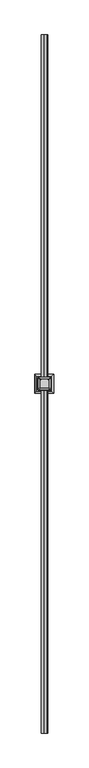
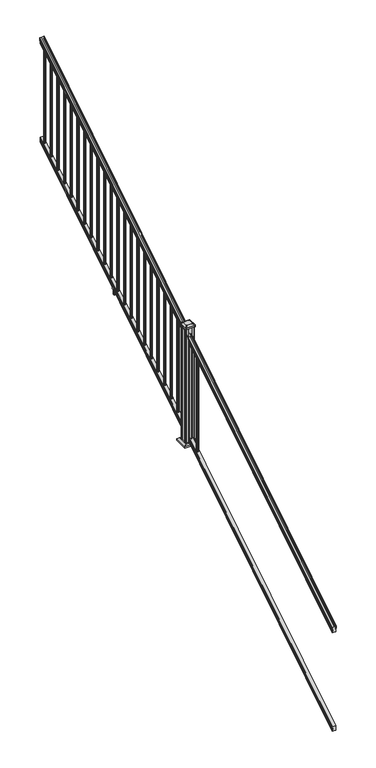
"""IFC4 building model written with IfcOpenShell, lengths in millimetres: railing geometry."""

from ifc_helpers import new_model, si_unit, point, frame, frame_2d, origin, place, context, project, spatial, polyline, circle_curve, ellipse_curve, trimmed, segment, composite_curve, outline, extrude, faceted_brep, source, transform, mapped, element, save
from ifc_brep_helpers import plane_surface, cylinder_surface, revolved_surface, extruded_surface, advanced_brep


def railing_84c4181d(model_context):
    return source(origin(), model_context, "Body", "SolidModel", [
        advanced_brep(
        [(10358.2270946, -16813.8194681, 1285.6070492), (10358.2270946, -16813.8194681, 1287.8335658), (10359.3572809, -16813.8194681, 1289.6758543), (10359.3572809, -16813.8194681, 1298.1876358), (10358.7080245, -16813.8194681, 1301.0572588), (10361.2080245, -16813.8194681, 1306.1635509), (10362.617367, -16813.8194681, 1308.1442021), (10363.019266, -16813.8194681, 1309.4469579), (10363.0192659, -16813.8194681, 1311.0274846), (10361.4658186, -16813.8194681, 1312.8593836), (10340.7942659, -16813.8194681, 1312.8593836), (10320.1227131, -16813.8194681, 1312.8593836), (10318.5692659, -16813.8194681, 1311.0274846), (10318.5692659, -16813.8194681, 1309.4469579), (10318.9711648, -16813.8194681, 1308.1442021), (10320.3805072, -16813.8194681, 1306.1635509), (10322.8805072, -16813.8194681, 1301.0572588), (10322.2312508, -16813.8194681, 1298.1876358), (10322.2312508, -16813.8194681, 1289.6758543), (10323.3614371, -16813.8194681, 1287.8335658), (10323.3614371, -16813.8194681, 1285.6070492), (10325.9352659, -16813.8194681, 1285.6070492), (10325.9352659, -16813.8194681, 1273.225537), (10324.9192659, -16813.8194681, 1272.0274214), (10324.9192659, -16813.8194681, 1257.3), (10356.6692659, -16813.8194681, 1257.3), (10356.6692659, -16813.8194681, 1271.841318), (10355.6532659, -16813.8194681, 1273.0394336), (10355.6532659, -16813.8194681, 1285.6070492), (10358.2270946, -11937.0194681, 4333.6070492), (10355.6532659, -11937.0194681, 4333.6070492), (10355.6532659, -11937.0194681, 4321.0394336), (10356.6692659, -11937.0194681, 4319.841318), (10356.6692659, -11937.0194681, 4305.3), (10324.9192659, -11937.0194681, 4305.3), (10324.9192659, -11937.0194681, 4320.0274214), (10325.9352659, -11937.0194681, 4321.225537), (10325.9352659, -11937.0194681, 4333.6070492), (10323.3614371, -11937.0194681, 4333.6070492), (10323.3614371, -11937.0194681, 4335.8335658), (10322.2312508, -11937.0194681, 4337.6758543), (10322.2312508, -11937.0194681, 4346.1876358), (10322.8805072, -11937.0194681, 4349.0572588), (10320.3805072, -11937.0194681, 4354.1635509), (10318.9711648, -11937.0194681, 4356.1442021), (10318.5692658, -11937.0194681, 4357.4469579), (10318.5692659, -11937.0194681, 4359.0274846), (10320.1227131, -11937.0194681, 4360.8593836), (10340.7942659, -11937.0194681, 4360.8593836), (10361.4658186, -11937.0194681, 4360.8593836), (10363.0192659, -11937.0194681, 4359.0274846), (10363.0192659, -11937.0194681, 4357.4469579), (10362.617367, -11937.0194681, 4356.1442021), (10361.2080245, -11937.0194681, 4354.1635509), (10358.7080245, -11937.0194681, 4349.0572588), (10359.3572809, -11937.0194681, 4346.1876358), (10359.3572809, -11937.0194681, 4337.6758543), (10358.2270946, -11937.0194681, 4335.8335658)],
        [
            (0, 1),
            (1, 2, ellipse_curve(frame((10351.9123413, -16813.8194681, 1294.6239405), z_axis=(0.0, -1.0, 0.0), x_axis=(0.0, 0.0, -1.0)), 10.0777926, 8.545951)),
            (2, 3, ellipse_curve(frame((10352.3494043, -16813.8194681, 1293.9317451), z_axis=(0.0, -1.0, 0.0), x_axis=(0.0, 0.0, -1.0)), 9.2955186, 7.882584)),
            (3, 4, ellipse_curve(frame((10362.8627284, -16813.8194681, 1300.8275077), z_axis=(0.0, 1.0, 0.0), x_axis=(0.0, 0.0, 1.0)), 4.9048088, 4.1592695)),
            (4, 5, ellipse_curve(frame((10364.150035, -16813.8194681, 1300.7563208), z_axis=(0.0, 1.0, 0.0), x_axis=(0.0, 0.0, 1.0)), 6.4245301, 5.4479907)),
            (5, 6, ellipse_curve(frame((10362.9168765, -16813.8194681, 1306.1602333), z_axis=(0.0, 1.0, 0.0), x_axis=(0.0, 0.0, 1.0)), 2.0151625, 1.7088543)),
            (6, 7, ellipse_curve(frame((10361.2999764, -16813.8194681, 1309.4469579), z_axis=(0.0, -1.0, 0.0), x_axis=(0.0, 0.0, -1.0)), 2.0274681, 1.7192895)),
            (7, 8),
            (8, 9, ellipse_curve(frame((10361.4658186, -16813.8194681, 1311.0274846), z_axis=(0.0, -1.0, 0.0), x_axis=(0.0, 0.0, -1.0)), 1.831899, 1.5534472)),
            (9, 10),
            (10, 11),
            (11, 12, ellipse_curve(frame((10320.1227131, -16813.8194681, 1311.0274846), z_axis=(0.0, -1.0, 0.0), x_axis=(0.0, 0.0, -1.0)), 1.831899, 1.5534472)),
            (12, 13),
            (13, 14, ellipse_curve(frame((10320.2885553, -16813.8194681, 1309.4469579), z_axis=(0.0, -1.0, 0.0), x_axis=(0.0, 0.0, -1.0)), 2.0274681, 1.7192895)),
            (14, 15, ellipse_curve(frame((10318.6716552, -16813.8194681, 1306.1602333), z_axis=(0.0, 1.0, 0.0), x_axis=(0.0, 0.0, 1.0)), 2.0151625, 1.7088543)),
            (15, 16, ellipse_curve(frame((10317.4384968, -16813.8194681, 1300.7563208), z_axis=(0.0, 1.0, 0.0), x_axis=(0.0, 0.0, 1.0)), 6.4245301, 5.4479907)),
            (16, 17, ellipse_curve(frame((10318.7258033, -16813.8194681, 1300.8275077), z_axis=(0.0, 1.0, 0.0), x_axis=(0.0, 0.0, 1.0)), 4.9048088, 4.1592695)),
            (17, 18, ellipse_curve(frame((10329.2391275, -16813.8194681, 1293.9317451), z_axis=(0.0, -1.0, 0.0), x_axis=(0.0, 0.0, -1.0)), 9.2955186, 7.882584)),
            (18, 19, ellipse_curve(frame((10329.6761904, -16813.8194681, 1294.6239405), z_axis=(0.0, -1.0, 0.0), x_axis=(0.0, 0.0, -1.0)), 10.0777926, 8.545951)),
            (19, 20),
            (20, 21, ellipse_curve(frame((10324.6483515, -16813.8194681, 1285.6070492), z_axis=(0.0, -1.0, 0.0), x_axis=(0.0, 0.0, -1.0)), 1.5175907, 1.2869144)),
            (21, 22),
            (22, 23),
            (23, 24),
            (24, 25),
            (25, 26),
            (26, 27),
            (27, 28),
            (28, 0, ellipse_curve(frame((10356.9401802, -16813.8194681, 1285.6070492), z_axis=(0.0, -1.0, 0.0), x_axis=(0.0, 0.0, -1.0)), 1.5175907, 1.2869144)),
            (29, 30, ellipse_curve(frame((10356.9401802, -11937.0194681, 4333.6070492), z_axis=(0.0, 1.0, 0.0), x_axis=(0.0, 0.0, -1.0)), 1.5175907, 1.2869144)),
            (30, 31),
            (31, 32),
            (32, 33),
            (33, 34),
            (34, 35),
            (35, 36),
            (36, 37),
            (37, 38, ellipse_curve(frame((10324.6483515, -11937.0194681, 4333.6070492), z_axis=(0.0, 1.0, 0.0), x_axis=(0.0, 0.0, -1.0)), 1.5175907, 1.2869144)),
            (38, 39),
            (39, 40, ellipse_curve(frame((10329.6761904, -11937.0194681, 4342.6239405), z_axis=(0.0, 1.0, 0.0), x_axis=(0.0, 0.0, -1.0)), 10.0777926, 8.545951)),
            (40, 41, ellipse_curve(frame((10329.2391275, -11937.0194681, 4341.9317451), z_axis=(0.0, 1.0, 0.0), x_axis=(0.0, 0.0, -1.0)), 9.2955186, 7.882584)),
            (41, 42, ellipse_curve(frame((10318.7258033, -11937.0194681, 4348.8275077), z_axis=(0.0, -1.0, 0.0), x_axis=(0.0, 0.0, 1.0)), 4.9048088, 4.1592695)),
            (42, 43, ellipse_curve(frame((10317.4384968, -11937.0194681, 4348.7563208), z_axis=(0.0, -1.0, 0.0), x_axis=(0.0, 0.0, 1.0)), 6.4245301, 5.4479907)),
            (43, 44, ellipse_curve(frame((10318.6716552, -11937.0194681, 4354.1602333), z_axis=(0.0, -1.0, 0.0), x_axis=(0.0, 0.0, 1.0)), 2.0151625, 1.7088543)),
            (44, 45, ellipse_curve(frame((10320.2885553, -11937.0194681, 4357.4469579), z_axis=(0.0, 1.0, 0.0), x_axis=(0.0, 0.0, -1.0)), 2.0274681, 1.7192895)),
            (45, 46),
            (46, 47, ellipse_curve(frame((10320.1227131, -11937.0194681, 4359.0274846), z_axis=(0.0, 1.0, 0.0), x_axis=(0.0, 0.0, -1.0)), 1.831899, 1.5534472)),
            (47, 48),
            (48, 49),
            (49, 50, ellipse_curve(frame((10361.4658186, -11937.0194681, 4359.0274846), z_axis=(0.0, 1.0, 0.0), x_axis=(0.0, 0.0, -1.0)), 1.831899, 1.5534472)),
            (50, 51),
            (51, 52, ellipse_curve(frame((10361.2999764, -11937.0194681, 4357.4469579), z_axis=(0.0, 1.0, 0.0), x_axis=(0.0, 0.0, -1.0)), 2.0274681, 1.7192895)),
            (52, 53, ellipse_curve(frame((10362.9168765, -11937.0194681, 4354.1602333), z_axis=(0.0, -1.0, 0.0), x_axis=(0.0, 0.0, 1.0)), 2.0151625, 1.7088543)),
            (53, 54, ellipse_curve(frame((10364.150035, -11937.0194681, 4348.7563208), z_axis=(0.0, -1.0, 0.0), x_axis=(0.0, 0.0, 1.0)), 6.4245301, 5.4479907)),
            (54, 55, ellipse_curve(frame((10362.8627284, -11937.0194681, 4348.8275077), z_axis=(0.0, -1.0, 0.0), x_axis=(0.0, 0.0, 1.0)), 4.9048088, 4.1592695)),
            (55, 56, ellipse_curve(frame((10352.3494043, -11937.0194681, 4341.9317451), z_axis=(0.0, 1.0, 0.0), x_axis=(0.0, 0.0, -1.0)), 9.2955186, 7.882584)),
            (56, 57, ellipse_curve(frame((10351.9123413, -11937.0194681, 4342.6239405), z_axis=(0.0, 1.0, 0.0), x_axis=(0.0, 0.0, -1.0)), 10.0777926, 8.545951)),
            (57, 29),
            (0, 29),
            (57, 1),
            (56, 2),
            (55, 3),
            (54, 4),
            (53, 5),
            (52, 6),
            (51, 7),
            (50, 8),
            (49, 9),
            (48, 10),
            (47, 11),
            (46, 12),
            (45, 13),
            (44, 14),
            (43, 15),
            (42, 16),
            (41, 17),
            (40, 18),
            (39, 19),
            (38, 20),
            (37, 21),
            (36, 22),
            (35, 23),
            (34, 24),
            (33, 25),
            (32, 26),
            (31, 27),
            (30, 28),
        ],
        [
            plane_surface(frame((10340.7942659, -16813.8194681, 1257.3), z_axis=(0.0, -1.0, 0.0), x_axis=(0.0, 0.0, 1.0))),
            plane_surface(frame((10340.7942659, -11937.0194681, 4305.3), z_axis=(0.0, 1.0, 0.0), x_axis=(0.0, 0.0, 1.0))),
            plane_surface(frame((10358.2270946, -16813.8194681, 1285.6070492), z_axis=(1.0000000000000002, 0.0, 0.0), x_axis=(0.0, 0.8479983040051253, 0.5299989400031204))),
            cylinder_surface(frame((10351.9123413, -16830.5942728, 1284.1396876), z_axis=(0.0, -0.8479983040051253, -0.5299989400031204), x_axis=(-1.0, 0.0, 0.0)), 8.545951),
            cylinder_surface(frame((10352.3494043, -16830.2831737, 1283.641929), z_axis=(0.0, -0.8479983040051253, -0.5299989400031204), x_axis=(-1.0, 0.0, 0.0)), 7.882584),
            revolved_surface(polyline([(10358.7034589, -11934.815059650346, 4350.205262980555), (10358.7034589, -16816.023876549436, 1299.4497524191004)]), (10362.8627284, -16833.3823929, 1288.6006797), (0.0, 0.8479983040051253, 0.5299989400031204)),
            revolved_surface(polyline([(10358.7020443, -11934.132038835738, 4350.5609640771845), (10358.7020443, -16816.706897352808, 1298.9516775044945)]), (10364.150035, -16833.3503988, 1288.5494891), (0.0, 0.8479983040051253, 0.5299989400031204)),
            revolved_surface(polyline([(10361.208022199999, -11936.113777099785, 4354.726290199656), (10361.208022199999, -16814.72515912247, 1305.5941764359545)]), (10362.9168765, -16835.7791235, 1292.4354487), (0.0, 0.8479983040051253, 0.5299989400031204)),
            cylinder_surface(frame((10361.2999764, -16837.2563031, 1294.798936), z_axis=(0.0, -0.8479983040051253, -0.5299989400031204), x_axis=(-1.0, 0.0, 0.0)), 1.7192895),
            plane_surface(frame((10363.0192659, -16813.8194681, 1309.4469579), z_axis=(1.0000000000000002, 0.0, 0.0), x_axis=(0.0, 0.8479983040051253, 0.5299989400031204))),
            cylinder_surface(frame((10361.4658186, -16837.9666522, 1295.9354945), z_axis=(0.0, -0.8479983040051253, -0.5299989400031204), x_axis=(-1.0, 0.0, 0.0)), 1.5534472),
            plane_surface(frame((10361.4658186, -16813.8194681, 1312.8593836), z_axis=(0.0, -0.5299989400031204, 0.8479983040051252), x_axis=(0.0, 0.8479983040051252, 0.5299989400031204))),
            plane_surface(frame((10340.7942659, -16813.8194681, 1312.8593836), z_axis=(0.0, -0.5299989400031204, 0.8479983040051252), x_axis=(0.0, 0.8479983040051252, 0.5299989400031204))),
            cylinder_surface(frame((10320.1227131, -16837.9666522, 1295.9354945), z_axis=(0.0, -0.8479983040051253, -0.5299989400031204), x_axis=(1.0, 0.0, 0.0)), 1.5534472),
            plane_surface(frame((10318.5692659, -16813.8194681, 1311.0274846), z_axis=(-1.0, 0.0, 0.0), x_axis=(0.0, 0.8479983040051252, 0.5299989400031204))),
            cylinder_surface(frame((10320.2885553, -16837.2563031, 1294.798936), z_axis=(0.0, -0.8479983040051253, -0.5299989400031204), x_axis=(1.0, 0.0, 0.0)), 1.7192895),
            revolved_surface(polyline([(10320.3805095, -11936.113777099785, 4354.726290199656), (10320.3805095, -16814.72515912247, 1305.5941764359545)]), (10318.6716552, -16835.7791235, 1292.4354487), (0.0, 0.8479983040051253, 0.5299989400031204)),
            revolved_surface(polyline([(10322.8864875, -11934.132038835738, 4350.5609640771845), (10322.8864875, -16816.706897352808, 1298.9516775044945)]), (10317.4384968, -16833.3503988, 1288.5494891), (0.0, 0.8479983040051253, 0.5299989400031204)),
            revolved_surface(polyline([(10322.8850728, -11934.815059650346, 4350.205262980555), (10322.8850728, -16816.023876549436, 1299.4497524191004)]), (10318.7258033, -16833.3823929, 1288.6006797), (0.0, 0.8479983040051253, 0.5299989400031204)),
            cylinder_surface(frame((10329.2391275, -16830.2831737, 1283.641929), z_axis=(0.0, -0.8479983040051253, -0.5299989400031204), x_axis=(1.0, 0.0, 0.0)), 7.882584),
            cylinder_surface(frame((10329.6761904, -16830.5942728, 1284.1396876), z_axis=(0.0, -0.8479983040051253, -0.5299989400031204), x_axis=(1.0, 0.0, 0.0)), 8.545951),
            plane_surface(frame((10323.3614371, -16813.8194681, 1287.8335658), z_axis=(-1.0, 0.0, 0.0), x_axis=(0.0, 0.8479983040051252, 0.5299989400031204))),
            cylinder_surface(frame((10324.6483515, -16826.5417374, 1277.6556309), z_axis=(0.0, -0.8479983040051253, -0.5299989400031204), x_axis=(1.0, 0.0, 0.0)), 1.2869144),
            plane_surface(frame((10325.9352659, -16813.8194681, 1285.6070492), z_axis=(-1.0000000000000002, 0.0, 0.0), x_axis=(0.0, 0.8479983040051253, 0.5299989400031204))),
            plane_surface(frame((10325.9352659, -16813.8194681, 1273.225537), z_axis=(-0.7071067811865438, -0.3747658444978897, 0.5996253511967192), x_axis=(0.0, 0.8479983040051252, 0.5299989400031204))),
            plane_surface(frame((10324.9192659, -16813.8194681, 1272.0274214), z_axis=(-1.0000000000000002, 0.0, 0.0), x_axis=(0.0, 0.8479983040051253, 0.5299989400031204))),
            plane_surface(frame((10324.9192659, -16813.8194681, 1257.3), z_axis=(0.0, 0.5299989400031204, -0.8479983040051252), x_axis=(0.0, 0.8479983040051252, 0.5299989400031204))),
            plane_surface(frame((10356.6692659, -16813.8194681, 1257.3), z_axis=(1.0, 0.0, 0.0), x_axis=(0.0, 0.8479983040051252, 0.5299989400031204))),
            plane_surface(frame((10356.6692659, -16813.8194681, 1271.841318), z_axis=(0.7071067811865389, -0.3747658444978942, 0.5996253511967224), x_axis=(0.0, 0.8479983040051252, 0.5299989400031204))),
            plane_surface(frame((10355.6532659, -16813.8194681, 1273.0394336), z_axis=(1.0, 0.0, 0.0), x_axis=(0.0, 0.8479983040051253, 0.5299989400031203))),
            cylinder_surface(frame((10356.9401802, -16826.5417374, 1277.6556309), z_axis=(0.0, -0.8479983040051253, -0.5299989400031204), x_axis=(-1.0, 0.0, 0.0)), 1.2869144),
        ],
        [
            (0, [[1, 2, 3, 4, 5, 6, 7, 8, 9, 10, 11, 12, 13, 14, 15, 16, 17, 18, 19, 20, 21, 22, 23, 24, 25, 26, 27, 28, 29]]),
            (1, [[30, 31, 32, 33, 34, 35, 36, 37, 38, 39, 40, 41, 42, 43, 44, 45, 46, 47, 48, 49, 50, 51, 52, 53, 54, 55, 56, 57, 58]]),
            (2, [[-1, 59, -58, 60]]),
            (3, [[-2, -60, -57, 61]]),
            (4, [[-3, -61, -56, 62]]),
            (5, [[-4, -62, -55, 63]]),
            (6, [[-5, -63, -54, 64]]),
            (7, [[-6, -64, -53, 65]]),
            (8, [[-7, -65, -52, 66]]),
            (9, [[-8, -66, -51, 67]]),
            (10, [[-9, -67, -50, 68]]),
            (11, [[-10, -68, -49, 69]]),
            (12, [[-11, -69, -48, 70]]),
            (13, [[-12, -70, -47, 71]]),
            (14, [[-13, -71, -46, 72]]),
            (15, [[-14, -72, -45, 73]]),
            (16, [[-15, -73, -44, 74]]),
            (17, [[-16, -74, -43, 75]]),
            (18, [[-17, -75, -42, 76]]),
            (19, [[-18, -76, -41, 77]]),
            (20, [[-19, -77, -40, 78]]),
            (21, [[-20, -78, -39, 79]]),
            (22, [[-21, -79, -38, 80]]),
            (23, [[-22, -80, -37, 81]]),
            (24, [[-23, -81, -36, 82]]),
            (25, [[-24, -82, -35, 83]]),
            (26, [[-25, -83, -34, 84]]),
            (27, [[-26, -84, -33, 85]]),
            (28, [[-27, -85, -32, 86]]),
            (29, [[-28, -86, -31, 87]]),
            (30, [[-29, -87, -30, -59]]),
        ],
    ),
        faceted_brep([(10356.7067528, -16813.8194681, 268.8045079), (10355.6907528, -16813.8194681, 270.338026), (10355.6907528, -16813.8194681, 282.5545048), (10356.7067528, -16813.8194681, 284.1444579), (10356.7067528, -16813.8194681, 298.9244744), (10324.9567528, -16813.8194681, 298.9244744), (10324.9567528, -16813.8194681, 284.1248272), (10325.9727528, -16813.8194681, 282.5348741), (10325.9727528, -16813.8194681, 270.3748303), (10324.9567528, -16813.8194681, 268.7848772), (10324.9567528, -16813.8194681, 254.0), (10356.7067528, -16813.8194681, 254.0), (10356.7067528, -11937.0194681, 3316.8045079), (10356.7067528, -11937.0194681, 3302.0), (10324.9567528, -11937.0194681, 3302.0), (10324.9567528, -11937.0194681, 3316.7848772), (10325.9727528, -11937.0194681, 3318.3748303), (10325.9727528, -11937.0194681, 3330.5348741), (10324.9567528, -11937.0194681, 3332.1248272), (10324.9567528, -11937.0194681, 3346.9244744), (10356.7067528, -11937.0194681, 3346.9244744), (10356.7067528, -11937.0194681, 3332.1444579), (10355.6907528, -11937.0194681, 3330.5545048), (10355.6907528, -11937.0194681, 3318.338026)], [[[0, 1, 2, 3, 4, 5, 6, 7, 8, 9, 10, 11]], [[12, 13, 14, 15, 16, 17, 18, 19, 20, 21, 22, 23]], [[1, 0, 12, 23]], [[2, 1, 23, 22]], [[3, 2, 22, 21]], [[4, 3, 21, 20]], [[5, 4, 20, 19]], [[6, 5, 19, 18]], [[7, 6, 18, 17]], [[8, 7, 17, 16]], [[9, 8, 16, 15]], [[10, 9, 15, 14]], [[11, 10, 14, 13]], [[0, 11, 13, 12]]]),
        extrude(outline(composite_curve([segment(trimmed(circle_curve(frame_2d((10340.7942659, -11984.2634681)), 9.525), [point((10350.3192659, -11984.2634681))], [point((10340.7942659, -11993.7884681))], False, "CARTESIAN"), True, "CONTINUOUS"), segment(trimmed(circle_curve(frame_2d((10340.7942659, -11984.2634681)), 9.525), [point((10340.7942659, -11993.7884681))], [point((10331.2692659, -11984.2634681))], False, "CARTESIAN"), True, "CONTINUOUS"), segment(trimmed(circle_curve(frame_2d((10340.7942659, -11984.2634681)), 9.525), [point((10331.2692659, -11984.2634681))], [point((10340.7942659, -11974.7384681))], False, "CARTESIAN"), True, "CONTINUOUS"), segment(trimmed(circle_curve(frame_2d((10340.7942659, -11984.2634681)), 9.525), [point((10340.7942659, -11974.7384681))], [point((10350.3192659, -11984.2634681))], False, "CARTESIAN"), True, "CONTINUOUS")], self_intersect=False)), frame((0.0, 0.0, 3310.5683781), z_axis=(0.0, 0.0, 1.0), x_axis=(1.0, 0.0, 0.0)), (0.0, 0.0, 1.0), 965.2041219),
        extrude(outline(composite_curve([segment(trimmed(circle_curve(frame_2d((10340.7942659, -12095.5154681)), 9.525), [point((10350.3192659, -12095.5154681))], [point((10340.7942659, -12105.0404681))], False, "CARTESIAN"), True, "CONTINUOUS"), segment(trimmed(circle_curve(frame_2d((10340.7942659, -12095.5154681)), 9.525), [point((10340.7942659, -12105.0404681))], [point((10331.2692659, -12095.5154681))], False, "CARTESIAN"), True, "CONTINUOUS"), segment(trimmed(circle_curve(frame_2d((10340.7942659, -12095.5154681)), 9.525), [point((10331.2692659, -12095.5154681))], [point((10340.7942659, -12085.9904681))], False, "CARTESIAN"), True, "CONTINUOUS"), segment(trimmed(circle_curve(frame_2d((10340.7942659, -12095.5154681)), 9.525), [point((10340.7942659, -12085.9904681))], [point((10350.3192659, -12095.5154681))], False, "CARTESIAN"), True, "CONTINUOUS")], self_intersect=False)), frame((0.0, 0.0, 3241.0358781), z_axis=(0.0, 0.0, 1.0), x_axis=(1.0, 0.0, 0.0)), (0.0, 0.0, 1.0), 965.2041219),
        extrude(outline(composite_curve([segment(trimmed(circle_curve(frame_2d((10340.7942659, -12206.7674681)), 9.525), [point((10350.3192659, -12206.7674681))], [point((10340.7942659, -12216.2924681))], False, "CARTESIAN"), True, "CONTINUOUS"), segment(trimmed(circle_curve(frame_2d((10340.7942659, -12206.7674681)), 9.525), [point((10340.7942659, -12216.2924681))], [point((10331.2692659, -12206.7674681))], False, "CARTESIAN"), True, "CONTINUOUS"), segment(trimmed(circle_curve(frame_2d((10340.7942659, -12206.7674681)), 9.525), [point((10331.2692659, -12206.7674681))], [point((10340.7942659, -12197.2424681))], False, "CARTESIAN"), True, "CONTINUOUS"), segment(trimmed(circle_curve(frame_2d((10340.7942659, -12206.7674681)), 9.525), [point((10340.7942659, -12197.2424681))], [point((10350.3192659, -12206.7674681))], False, "CARTESIAN"), True, "CONTINUOUS")], self_intersect=False)), frame((0.0, 0.0, 3171.5033781), z_axis=(0.0, 0.0, 1.0), x_axis=(1.0, 0.0, 0.0)), (0.0, 0.0, 1.0), 965.2041219),
        extrude(outline(composite_curve([segment(trimmed(circle_curve(frame_2d((10340.7942659, -12318.0194681)), 9.525), [point((10350.3192659, -12318.0194681))], [point((10340.7942659, -12327.5444681))], False, "CARTESIAN"), True, "CONTINUOUS"), segment(trimmed(circle_curve(frame_2d((10340.7942659, -12318.0194681)), 9.525), [point((10340.7942659, -12327.5444681))], [point((10331.2692659, -12318.0194681))], False, "CARTESIAN"), True, "CONTINUOUS"), segment(trimmed(circle_curve(frame_2d((10340.7942659, -12318.0194681)), 9.525), [point((10331.2692659, -12318.0194681))], [point((10340.7942659, -12308.4944681))], False, "CARTESIAN"), True, "CONTINUOUS"), segment(trimmed(circle_curve(frame_2d((10340.7942659, -12318.0194681)), 9.525), [point((10340.7942659, -12308.4944681))], [point((10350.3192659, -12318.0194681))], False, "CARTESIAN"), True, "CONTINUOUS")], self_intersect=False)), frame((0.0, 0.0, 3101.9708781), z_axis=(0.0, 0.0, 1.0), x_axis=(1.0, 0.0, 0.0)), (0.0, 0.0, 1.0), 965.2041219),
        extrude(outline(composite_curve([segment(trimmed(circle_curve(frame_2d((10340.7942659, -12429.2714681)), 9.525), [point((10350.3192659, -12429.2714681))], [point((10340.7942659, -12438.7964681))], False, "CARTESIAN"), True, "CONTINUOUS"), segment(trimmed(circle_curve(frame_2d((10340.7942659, -12429.2714681)), 9.525), [point((10340.7942659, -12438.7964681))], [point((10331.2692659, -12429.2714681))], False, "CARTESIAN"), True, "CONTINUOUS"), segment(trimmed(circle_curve(frame_2d((10340.7942659, -12429.2714681)), 9.525), [point((10331.2692659, -12429.2714681))], [point((10340.7942659, -12419.7464681))], False, "CARTESIAN"), True, "CONTINUOUS"), segment(trimmed(circle_curve(frame_2d((10340.7942659, -12429.2714681)), 9.525), [point((10340.7942659, -12419.7464681))], [point((10350.3192659, -12429.2714681))], False, "CARTESIAN"), True, "CONTINUOUS")], self_intersect=False)), frame((0.0, 0.0, 3032.4383781), z_axis=(0.0, 0.0, 1.0), x_axis=(1.0, 0.0, 0.0)), (0.0, 0.0, 1.0), 965.2041219),
        extrude(outline(composite_curve([segment(trimmed(circle_curve(frame_2d((10340.7942659, -12540.5234681)), 9.525), [point((10350.3192659, -12540.5234681))], [point((10340.7942659, -12550.0484681))], False, "CARTESIAN"), True, "CONTINUOUS"), segment(trimmed(circle_curve(frame_2d((10340.7942659, -12540.5234681)), 9.525), [point((10340.7942659, -12550.0484681))], [point((10331.2692659, -12540.5234681))], False, "CARTESIAN"), True, "CONTINUOUS"), segment(trimmed(circle_curve(frame_2d((10340.7942659, -12540.5234681)), 9.525), [point((10331.2692659, -12540.5234681))], [point((10340.7942659, -12530.9984681))], False, "CARTESIAN"), True, "CONTINUOUS"), segment(trimmed(circle_curve(frame_2d((10340.7942659, -12540.5234681)), 9.525), [point((10340.7942659, -12530.9984681))], [point((10350.3192659, -12540.5234681))], False, "CARTESIAN"), True, "CONTINUOUS")], self_intersect=False)), frame((0.0, 0.0, 2962.9058781), z_axis=(0.0, 0.0, 1.0), x_axis=(1.0, 0.0, 0.0)), (0.0, 0.0, 1.0), 965.2041219),
        extrude(outline(composite_curve([segment(trimmed(circle_curve(frame_2d((10340.7942659, -12651.7754681)), 9.525), [point((10350.3192659, -12651.7754681))], [point((10340.7942659, -12661.3004681))], False, "CARTESIAN"), True, "CONTINUOUS"), segment(trimmed(circle_curve(frame_2d((10340.7942659, -12651.7754681)), 9.525), [point((10340.7942659, -12661.3004681))], [point((10331.2692659, -12651.7754681))], False, "CARTESIAN"), True, "CONTINUOUS"), segment(trimmed(circle_curve(frame_2d((10340.7942659, -12651.7754681)), 9.525), [point((10331.2692659, -12651.7754681))], [point((10340.7942659, -12642.2504681))], False, "CARTESIAN"), True, "CONTINUOUS"), segment(trimmed(circle_curve(frame_2d((10340.7942659, -12651.7754681)), 9.525), [point((10340.7942659, -12642.2504681))], [point((10350.3192659, -12651.7754681))], False, "CARTESIAN"), True, "CONTINUOUS")], self_intersect=False)), frame((0.0, 0.0, 2893.3733781), z_axis=(0.0, 0.0, 1.0), x_axis=(1.0, 0.0, 0.0)), (0.0, 0.0, 1.0), 965.2041219),
        extrude(outline(composite_curve([segment(trimmed(circle_curve(frame_2d((10340.7942659, -12763.0274681)), 9.525), [point((10350.3192659, -12763.0274681))], [point((10340.7942659, -12772.5524681))], False, "CARTESIAN"), True, "CONTINUOUS"), segment(trimmed(circle_curve(frame_2d((10340.7942659, -12763.0274681)), 9.525), [point((10340.7942659, -12772.5524681))], [point((10331.2692659, -12763.0274681))], False, "CARTESIAN"), True, "CONTINUOUS"), segment(trimmed(circle_curve(frame_2d((10340.7942659, -12763.0274681)), 9.525), [point((10331.2692659, -12763.0274681))], [point((10340.7942659, -12753.5024681))], False, "CARTESIAN"), True, "CONTINUOUS"), segment(trimmed(circle_curve(frame_2d((10340.7942659, -12763.0274681)), 9.525), [point((10340.7942659, -12753.5024681))], [point((10350.3192659, -12763.0274681))], False, "CARTESIAN"), True, "CONTINUOUS")], self_intersect=False)), frame((0.0, 0.0, 2823.8408781), z_axis=(0.0, 0.0, 1.0), x_axis=(1.0, 0.0, 0.0)), (0.0, 0.0, 1.0), 965.2041219),
        extrude(outline(composite_curve([segment(trimmed(circle_curve(frame_2d((10340.7942659, -12874.2794681)), 9.525), [point((10350.3192659, -12874.2794681))], [point((10340.7942659, -12883.8044681))], False, "CARTESIAN"), True, "CONTINUOUS"), segment(trimmed(circle_curve(frame_2d((10340.7942659, -12874.2794681)), 9.525), [point((10340.7942659, -12883.8044681))], [point((10331.2692659, -12874.2794681))], False, "CARTESIAN"), True, "CONTINUOUS"), segment(trimmed(circle_curve(frame_2d((10340.7942659, -12874.2794681)), 9.525), [point((10331.2692659, -12874.2794681))], [point((10340.7942659, -12864.7544681))], False, "CARTESIAN"), True, "CONTINUOUS"), segment(trimmed(circle_curve(frame_2d((10340.7942659, -12874.2794681)), 9.525), [point((10340.7942659, -12864.7544681))], [point((10350.3192659, -12874.2794681))], False, "CARTESIAN"), True, "CONTINUOUS")], self_intersect=False)), frame((0.0, 0.0, 2754.3083781), z_axis=(0.0, 0.0, 1.0), x_axis=(1.0, 0.0, 0.0)), (0.0, 0.0, 1.0), 965.2041219),
        extrude(outline(composite_curve([segment(trimmed(circle_curve(frame_2d((10340.7942659, -12985.5314681)), 9.525), [point((10350.3192659, -12985.5314681))], [point((10340.7942659, -12995.0564681))], False, "CARTESIAN"), True, "CONTINUOUS"), segment(trimmed(circle_curve(frame_2d((10340.7942659, -12985.5314681)), 9.525), [point((10340.7942659, -12995.0564681))], [point((10331.2692659, -12985.5314681))], False, "CARTESIAN"), True, "CONTINUOUS"), segment(trimmed(circle_curve(frame_2d((10340.7942659, -12985.5314681)), 9.525), [point((10331.2692659, -12985.5314681))], [point((10340.7942659, -12976.0064681))], False, "CARTESIAN"), True, "CONTINUOUS"), segment(trimmed(circle_curve(frame_2d((10340.7942659, -12985.5314681)), 9.525), [point((10340.7942659, -12976.0064681))], [point((10350.3192659, -12985.5314681))], False, "CARTESIAN"), True, "CONTINUOUS")], self_intersect=False)), frame((0.0, 0.0, 2684.7758781), z_axis=(0.0, 0.0, 1.0), x_axis=(1.0, 0.0, 0.0)), (0.0, 0.0, 1.0), 965.2041219),
        extrude(outline(composite_curve([segment(trimmed(circle_curve(frame_2d((10340.7942659, -13096.7834681)), 9.525), [point((10350.3192659, -13096.7834681))], [point((10340.7942659, -13106.3084681))], False, "CARTESIAN"), True, "CONTINUOUS"), segment(trimmed(circle_curve(frame_2d((10340.7942659, -13096.7834681)), 9.525), [point((10340.7942659, -13106.3084681))], [point((10331.2692659, -13096.7834681))], False, "CARTESIAN"), True, "CONTINUOUS"), segment(trimmed(circle_curve(frame_2d((10340.7942659, -13096.7834681)), 9.525), [point((10331.2692659, -13096.7834681))], [point((10340.7942659, -13087.2584681))], False, "CARTESIAN"), True, "CONTINUOUS"), segment(trimmed(circle_curve(frame_2d((10340.7942659, -13096.7834681)), 9.525), [point((10340.7942659, -13087.2584681))], [point((10350.3192659, -13096.7834681))], False, "CARTESIAN"), True, "CONTINUOUS")], self_intersect=False)), frame((0.0, 0.0, 2615.2433781), z_axis=(0.0, 0.0, 1.0), x_axis=(1.0, 0.0, 0.0)), (0.0, 0.0, 1.0), 965.2041219),
        extrude(outline(polyline([(2565.2203979, 10322.6332671), (2564.4583969, 10321.871266), (2537.9680023, 10321.871266), (2537.2060013, 10322.6332671), (2537.2060013, 10332.6662661), (2536.4440012, 10333.4282662), (2477.2620001, 10333.4282662), (2476.5, 10334.1902663), (2476.5, 10347.3982655), (2477.262001, 10348.1602665), (2536.4440012, 10348.1602665), (2537.2060013, 10348.9222666), (2537.2060013, 10358.9552657), (2537.9680023, 10359.7172667), (2564.4583969, 10359.7172667), (2565.2203979, 10358.9552657), (2565.2203979, 10356.9232661), (2564.2043953, 10355.9072663), (2553.7686081, 10355.9072663), (2552.7526073, 10356.9232661), (2540.762001, 10356.9232661), (2540.0000019, 10356.1612669), (2540.0000019, 10325.4272658), (2540.762001, 10324.6652666), (2552.7526073, 10324.6652666), (2553.7686081, 10325.6812664), (2564.2043953, 10325.6812664), (2565.2203979, 10324.6652666), (2565.2203979, 10322.6332671)]), holes=[polyline([(2537.2060013, 10344.2232663), (2536.4440012, 10344.9852663), (2480.4370031, 10344.9852663), (2479.6750031, 10344.2232663), (2479.6750031, 10337.3652636), (2480.4370003, 10336.6032664), (2536.4440012, 10336.6032664), (2537.2060013, 10337.3652665), (2537.2060013, 10344.2232663)])]), frame((0.0, -13159.7754681, 0.0), z_axis=(0.0, 1.0, 0.0), x_axis=(0.0, 0.0, 1.0)), (0.0, 0.0, 1.0), 14.732),
        extrude(outline(composite_curve([segment(trimmed(circle_curve(frame_2d((10340.7942659, -13208.0354681)), 9.525), [point((10350.3192659, -13208.0354681))], [point((10340.7942659, -13217.5604681))], False, "CARTESIAN"), True, "CONTINUOUS"), segment(trimmed(circle_curve(frame_2d((10340.7942659, -13208.0354681)), 9.525), [point((10340.7942659, -13217.5604681))], [point((10331.2692659, -13208.0354681))], False, "CARTESIAN"), True, "CONTINUOUS"), segment(trimmed(circle_curve(frame_2d((10340.7942659, -13208.0354681)), 9.525), [point((10331.2692659, -13208.0354681))], [point((10340.7942659, -13198.5104681))], False, "CARTESIAN"), True, "CONTINUOUS"), segment(trimmed(circle_curve(frame_2d((10340.7942659, -13208.0354681)), 9.525), [point((10340.7942659, -13198.5104681))], [point((10350.3192659, -13208.0354681))], False, "CARTESIAN"), True, "CONTINUOUS")], self_intersect=False)), frame((0.0, 0.0, 2545.7108781), z_axis=(0.0, 0.0, 1.0), x_axis=(1.0, 0.0, 0.0)), (0.0, 0.0, 1.0), 965.2041219),
        extrude(outline(composite_curve([segment(trimmed(circle_curve(frame_2d((10340.7942659, -13319.2874681)), 9.525), [point((10350.3192659, -13319.2874681))], [point((10340.7942659, -13328.8124681))], False, "CARTESIAN"), True, "CONTINUOUS"), segment(trimmed(circle_curve(frame_2d((10340.7942659, -13319.2874681)), 9.525), [point((10340.7942659, -13328.8124681))], [point((10331.2692659, -13319.2874681))], False, "CARTESIAN"), True, "CONTINUOUS"), segment(trimmed(circle_curve(frame_2d((10340.7942659, -13319.2874681)), 9.525), [point((10331.2692659, -13319.2874681))], [point((10340.7942659, -13309.7624681))], False, "CARTESIAN"), True, "CONTINUOUS"), segment(trimmed(circle_curve(frame_2d((10340.7942659, -13319.2874681)), 9.525), [point((10340.7942659, -13309.7624681))], [point((10350.3192659, -13319.2874681))], False, "CARTESIAN"), True, "CONTINUOUS")], self_intersect=False)), frame((0.0, 0.0, 2476.1783781), z_axis=(0.0, 0.0, 1.0), x_axis=(1.0, 0.0, 0.0)), (0.0, 0.0, 1.0), 965.2041219),
        extrude(outline(composite_curve([segment(trimmed(circle_curve(frame_2d((10340.7942659, -13430.5394681)), 9.525), [point((10350.3192659, -13430.5394681))], [point((10340.7942659, -13440.0644681))], False, "CARTESIAN"), True, "CONTINUOUS"), segment(trimmed(circle_curve(frame_2d((10340.7942659, -13430.5394681)), 9.525), [point((10340.7942659, -13440.0644681))], [point((10331.2692659, -13430.5394681))], False, "CARTESIAN"), True, "CONTINUOUS"), segment(trimmed(circle_curve(frame_2d((10340.7942659, -13430.5394681)), 9.525), [point((10331.2692659, -13430.5394681))], [point((10340.7942659, -13421.0144681))], False, "CARTESIAN"), True, "CONTINUOUS"), segment(trimmed(circle_curve(frame_2d((10340.7942659, -13430.5394681)), 9.525), [point((10340.7942659, -13421.0144681))], [point((10350.3192659, -13430.5394681))], False, "CARTESIAN"), True, "CONTINUOUS")], self_intersect=False)), frame((0.0, 0.0, 2406.6458781), z_axis=(0.0, 0.0, 1.0), x_axis=(1.0, 0.0, 0.0)), (0.0, 0.0, 1.0), 965.2041219),
        extrude(outline(composite_curve([segment(trimmed(circle_curve(frame_2d((10340.7942659, -13541.7914681)), 9.525), [point((10350.3192659, -13541.7914681))], [point((10340.7942659, -13551.3164681))], False, "CARTESIAN"), True, "CONTINUOUS"), segment(trimmed(circle_curve(frame_2d((10340.7942659, -13541.7914681)), 9.525), [point((10340.7942659, -13551.3164681))], [point((10331.2692659, -13541.7914681))], False, "CARTESIAN"), True, "CONTINUOUS"), segment(trimmed(circle_curve(frame_2d((10340.7942659, -13541.7914681)), 9.525), [point((10331.2692659, -13541.7914681))], [point((10340.7942659, -13532.2664681))], False, "CARTESIAN"), True, "CONTINUOUS"), segment(trimmed(circle_curve(frame_2d((10340.7942659, -13541.7914681)), 9.525), [point((10340.7942659, -13532.2664681))], [point((10350.3192659, -13541.7914681))], False, "CARTESIAN"), True, "CONTINUOUS")], self_intersect=False)), frame((0.0, 0.0, 2337.1133781), z_axis=(0.0, 0.0, 1.0), x_axis=(1.0, 0.0, 0.0)), (0.0, 0.0, 1.0), 965.2041219),
        extrude(outline(composite_curve([segment(trimmed(circle_curve(frame_2d((10340.7942659, -13653.0434681)), 9.525), [point((10350.3192659, -13653.0434681))], [point((10340.7942659, -13662.5684681))], False, "CARTESIAN"), True, "CONTINUOUS"), segment(trimmed(circle_curve(frame_2d((10340.7942659, -13653.0434681)), 9.525), [point((10340.7942659, -13662.5684681))], [point((10331.2692659, -13653.0434681))], False, "CARTESIAN"), True, "CONTINUOUS"), segment(trimmed(circle_curve(frame_2d((10340.7942659, -13653.0434681)), 9.525), [point((10331.2692659, -13653.0434681))], [point((10340.7942659, -13643.5184681))], False, "CARTESIAN"), True, "CONTINUOUS"), segment(trimmed(circle_curve(frame_2d((10340.7942659, -13653.0434681)), 9.525), [point((10340.7942659, -13643.5184681))], [point((10350.3192659, -13653.0434681))], False, "CARTESIAN"), True, "CONTINUOUS")], self_intersect=False)), frame((0.0, 0.0, 2267.5808781), z_axis=(0.0, 0.0, 1.0), x_axis=(1.0, 0.0, 0.0)), (0.0, 0.0, 1.0), 965.2041219),
        extrude(outline(composite_curve([segment(trimmed(circle_curve(frame_2d((10340.7942659, -13764.2954681)), 9.525), [point((10350.3192659, -13764.2954681))], [point((10340.7942659, -13773.8204681))], False, "CARTESIAN"), True, "CONTINUOUS"), segment(trimmed(circle_curve(frame_2d((10340.7942659, -13764.2954681)), 9.525), [point((10340.7942659, -13773.8204681))], [point((10331.2692659, -13764.2954681))], False, "CARTESIAN"), True, "CONTINUOUS"), segment(trimmed(circle_curve(frame_2d((10340.7942659, -13764.2954681)), 9.525), [point((10331.2692659, -13764.2954681))], [point((10340.7942659, -13754.7704681))], False, "CARTESIAN"), True, "CONTINUOUS"), segment(trimmed(circle_curve(frame_2d((10340.7942659, -13764.2954681)), 9.525), [point((10340.7942659, -13754.7704681))], [point((10350.3192659, -13764.2954681))], False, "CARTESIAN"), True, "CONTINUOUS")], self_intersect=False)), frame((0.0, 0.0, 2198.0483781), z_axis=(0.0, 0.0, 1.0), x_axis=(1.0, 0.0, 0.0)), (0.0, 0.0, 1.0), 965.2041219),
        extrude(outline(composite_curve([segment(trimmed(circle_curve(frame_2d((10340.7942659, -13875.5474681)), 9.525), [point((10350.3192659, -13875.5474681))], [point((10340.7942659, -13885.0724681))], False, "CARTESIAN"), True, "CONTINUOUS"), segment(trimmed(circle_curve(frame_2d((10340.7942659, -13875.5474681)), 9.525), [point((10340.7942659, -13885.0724681))], [point((10331.2692659, -13875.5474681))], False, "CARTESIAN"), True, "CONTINUOUS"), segment(trimmed(circle_curve(frame_2d((10340.7942659, -13875.5474681)), 9.525), [point((10331.2692659, -13875.5474681))], [point((10340.7942659, -13866.0224681))], False, "CARTESIAN"), True, "CONTINUOUS"), segment(trimmed(circle_curve(frame_2d((10340.7942659, -13875.5474681)), 9.525), [point((10340.7942659, -13866.0224681))], [point((10350.3192659, -13875.5474681))], False, "CARTESIAN"), True, "CONTINUOUS")], self_intersect=False)), frame((0.0, 0.0, 2128.5158781), z_axis=(0.0, 0.0, 1.0), x_axis=(1.0, 0.0, 0.0)), (0.0, 0.0, 1.0), 965.2041219),
        extrude(outline(composite_curve([segment(trimmed(circle_curve(frame_2d((10340.7942659, -13986.7994681)), 9.525), [point((10350.3192659, -13986.7994681))], [point((10340.7942659, -13996.3244681))], False, "CARTESIAN"), True, "CONTINUOUS"), segment(trimmed(circle_curve(frame_2d((10340.7942659, -13986.7994681)), 9.525), [point((10340.7942659, -13996.3244681))], [point((10331.2692659, -13986.7994681))], False, "CARTESIAN"), True, "CONTINUOUS"), segment(trimmed(circle_curve(frame_2d((10340.7942659, -13986.7994681)), 9.525), [point((10331.2692659, -13986.7994681))], [point((10340.7942659, -13977.2744681))], False, "CARTESIAN"), True, "CONTINUOUS"), segment(trimmed(circle_curve(frame_2d((10340.7942659, -13986.7994681)), 9.525), [point((10340.7942659, -13977.2744681))], [point((10350.3192659, -13986.7994681))], False, "CARTESIAN"), True, "CONTINUOUS")], self_intersect=False)), frame((0.0, 0.0, 2058.9833781), z_axis=(0.0, 0.0, 1.0), x_axis=(1.0, 0.0, 0.0)), (0.0, 0.0, 1.0), 965.2041219),
        extrude(outline(composite_curve([segment(trimmed(circle_curve(frame_2d((10340.7942659, -14098.0514681)), 9.525), [point((10350.3192659, -14098.0514681))], [point((10340.7942659, -14107.5764681))], False, "CARTESIAN"), True, "CONTINUOUS"), segment(trimmed(circle_curve(frame_2d((10340.7942659, -14098.0514681)), 9.525), [point((10340.7942659, -14107.5764681))], [point((10331.2692659, -14098.0514681))], False, "CARTESIAN"), True, "CONTINUOUS"), segment(trimmed(circle_curve(frame_2d((10340.7942659, -14098.0514681)), 9.525), [point((10331.2692659, -14098.0514681))], [point((10340.7942659, -14088.5264681))], False, "CARTESIAN"), True, "CONTINUOUS"), segment(trimmed(circle_curve(frame_2d((10340.7942659, -14098.0514681)), 9.525), [point((10340.7942659, -14088.5264681))], [point((10350.3192659, -14098.0514681))], False, "CARTESIAN"), True, "CONTINUOUS")], self_intersect=False)), frame((0.0, 0.0, 1989.4508781), z_axis=(0.0, 0.0, 1.0), x_axis=(1.0, 0.0, 0.0)), (0.0, 0.0, 1.0), 965.2041219),
        extrude(outline(composite_curve([segment(trimmed(circle_curve(frame_2d((10340.7942659, -14209.3034681)), 9.525), [point((10350.3192659, -14209.3034681))], [point((10340.7942659, -14218.8284681))], False, "CARTESIAN"), True, "CONTINUOUS"), segment(trimmed(circle_curve(frame_2d((10340.7942659, -14209.3034681)), 9.525), [point((10340.7942659, -14218.8284681))], [point((10331.2692659, -14209.3034681))], False, "CARTESIAN"), True, "CONTINUOUS"), segment(trimmed(circle_curve(frame_2d((10340.7942659, -14209.3034681)), 9.525), [point((10331.2692659, -14209.3034681))], [point((10340.7942659, -14199.7784681))], False, "CARTESIAN"), True, "CONTINUOUS"), segment(trimmed(circle_curve(frame_2d((10340.7942659, -14209.3034681)), 9.525), [point((10340.7942659, -14199.7784681))], [point((10350.3192659, -14209.3034681))], False, "CARTESIAN"), True, "CONTINUOUS")], self_intersect=False)), frame((0.0, 0.0, 1919.9183781), z_axis=(0.0, 0.0, 1.0), x_axis=(1.0, 0.0, 0.0)), (0.0, 0.0, 1.0), 965.2041219),
        extrude(outline(composite_curve([segment(trimmed(circle_curve(frame_2d((10340.7942659, -14320.5554681)), 9.525), [point((10350.3192659, -14320.5554681))], [point((10340.7942659, -14330.0804681))], False, "CARTESIAN"), True, "CONTINUOUS"), segment(trimmed(circle_curve(frame_2d((10340.7942659, -14320.5554681)), 9.525), [point((10340.7942659, -14330.0804681))], [point((10331.2692659, -14320.5554681))], False, "CARTESIAN"), True, "CONTINUOUS"), segment(trimmed(circle_curve(frame_2d((10340.7942659, -14320.5554681)), 9.525), [point((10331.2692659, -14320.5554681))], [point((10340.7942659, -14311.0304681))], False, "CARTESIAN"), True, "CONTINUOUS"), segment(trimmed(circle_curve(frame_2d((10340.7942659, -14320.5554681)), 9.525), [point((10340.7942659, -14311.0304681))], [point((10350.3192659, -14320.5554681))], False, "CARTESIAN"), True, "CONTINUOUS")], self_intersect=False)), frame((0.0, 0.0, 1850.3858781), z_axis=(0.0, 0.0, 1.0), x_axis=(1.0, 0.0, 0.0)), (0.0, 0.0, 1.0), 965.2041219),
        faceted_brep([(10393.3802034, -14425.4654056, 1743.075), (10393.3802034, -14320.2935306, 1743.075), (10288.2083284, -14320.2935306, 1743.075), (10288.2083284, -14425.4654056, 1743.075), (10407.4196565, -14439.5048587, 1729.74), (10274.1688753, -14439.5048587, 1729.74), (10274.1688753, -14306.2540775, 1729.74), (10407.4196565, -14306.2540775, 1729.74)], [[[0, 1, 2, 3]], [[4, 5, 6, 7]], [[4, 0, 3, 5]], [[5, 3, 2, 6]], [[6, 2, 1, 7]], [[7, 1, 0, 4]]]),
        extrude(outline(polyline([(10407.4196565, -14439.5048587), (10274.1688753, -14439.5048587), (10274.1688753, -14306.2540775), (10407.4196565, -14306.2540775), (10407.4196565, -14439.5048587)])), frame((0.0, 0.0, 1714.5), z_axis=(0.0, 0.0, 1.0), x_axis=(1.0, 0.0, 0.0)), (0.0, 0.0, 1.0), 15.24),
        advanced_brep(
        [(10314.9973909, -14401.8513431, 2928.426763), (10366.5911409, -14401.8513431, 2928.426763), (10369.7661409, -14398.6763431, 2928.426763), (10369.7661409, -14347.0825931, 2928.426763), (10366.5911409, -14343.9075931, 2928.426763), (10314.9973909, -14343.9075931, 2928.426763), (10311.8223909, -14347.0825931, 2928.426763), (10311.8223909, -14398.6763431, 2928.426763), (10298.7255159, -14418.1232181, 2917.123763), (10295.5505159, -14414.9482181, 2917.123763), (10295.5505159, -14330.8107181, 2917.123763), (10298.7255159, -14327.6357181, 2917.123763), (10382.8630159, -14327.6357181, 2917.123763), (10386.0380159, -14330.8107181, 2917.123763), (10386.0380159, -14414.9482181, 2917.123763), (10382.8630159, -14418.1232181, 2917.123763)],
        [
            (0, 1),
            (1, 2, circle_curve(frame((10366.5911409, -14398.6763431, 2928.426763), z_axis=(0.0, 0.0, 1.0), x_axis=(0.0, 1.0, 0.0)), 3.175)),
            (2, 3),
            (3, 4, circle_curve(frame((10366.5911409, -14347.0825931, 2928.426763), z_axis=(0.0, 0.0, 1.0), x_axis=(0.0, 1.0, 0.0)), 3.175)),
            (4, 5),
            (5, 6, circle_curve(frame((10314.9973909, -14347.0825931, 2928.426763), z_axis=(0.0, 0.0, 1.0), x_axis=(0.0, 1.0, 0.0)), 3.175)),
            (6, 7),
            (7, 0, circle_curve(frame((10314.9973909, -14398.6763431, 2928.426763), z_axis=(0.0, 0.0, 1.0), x_axis=(0.0, 1.0, 0.0)), 3.175)),
            (8, 9, circle_curve(frame((10298.7255159, -14414.9482181, 2917.123763), z_axis=(0.0, 0.0, -1.0), x_axis=(0.0, 1.0, 0.0)), 3.175)),
            (9, 10),
            (10, 11, circle_curve(frame((10298.7255159, -14330.8107181, 2917.123763), z_axis=(0.0, 0.0, -1.0), x_axis=(0.0, 1.0, 0.0)), 3.175)),
            (11, 12),
            (12, 13, circle_curve(frame((10382.8630159, -14330.8107181, 2917.123763), z_axis=(0.0, 0.0, -1.0), x_axis=(0.0, 1.0, 0.0)), 3.175)),
            (13, 14),
            (14, 15, circle_curve(frame((10382.8630159, -14414.9482181, 2917.123763), z_axis=(0.0, 0.0, -1.0), x_axis=(0.0, 1.0, 0.0)), 3.175)),
            (15, 8),
            (8, 0),
            (7, 9),
            (6, 10),
            (5, 11),
            (4, 12),
            (3, 13),
            (2, 14),
            (1, 15),
        ],
        [
            plane_surface(frame((10340.7942659, -14372.8794681, 2928.426763), z_axis=(0.0, 0.0, 1.0), x_axis=(-1.0, 0.0, 0.0))),
            plane_surface(frame((10340.7942659, -14372.8794681, 2917.123763), z_axis=(0.0, 0.0, -1.0), x_axis=(-1.0, 0.0, 0.0))),
            extruded_surface(trimmed(circle_curve(frame((10314.9973909, -14398.6763431, 2928.426763), z_axis=(0.0, 0.0, -1.0), x_axis=(0.0, 1.0, 0.0)), 3.175), [point((10314.9973909, -14401.8513431, 2928.426763))], [point((10311.8223909, -14398.6763431, 2928.426763))], True, "CARTESIAN"), (-16.271875000000364, -16.271875000000364, -11.302999999999884), 25.63797263886657),
            plane_surface(frame((10295.5505159, -14372.8794681, 2917.123763), z_axis=(-0.5705009161540777, 0.0, 0.8212969649690409), x_axis=(0.0, 1.0, 0.0))),
            extruded_surface(trimmed(circle_curve(frame((10314.9973909, -14347.0825931, 2928.426763), z_axis=(0.0, 0.0, -1.0), x_axis=(0.0, 1.0, 0.0)), 3.175), [point((10311.8223909, -14347.0825931, 2928.426763))], [point((10314.9973909, -14343.9075931, 2928.426763))], True, "CARTESIAN"), (-16.271875000000364, 16.271875000000364, -11.302999999999884), 25.63797263886657),
            plane_surface(frame((10340.7942659, -14327.6357181, 2917.123763), z_axis=(0.0, 0.5705009161540291, 0.8212969649690747), x_axis=(1.0, 0.0, 0.0))),
            extruded_surface(trimmed(circle_curve(frame((10366.5911409, -14347.0825931, 2928.426763), z_axis=(0.0, 0.0, -1.0), x_axis=(0.0, 1.0, 0.0)), 3.175), [point((10366.5911409, -14343.9075931, 2928.426763))], [point((10369.7661409, -14347.0825931, 2928.426763))], True, "CARTESIAN"), (16.271875000000364, 16.271875000000364, -11.302999999999884), 25.63797263886657),
            plane_surface(frame((10386.0380159, -14372.8794681, 2917.123763), z_axis=(0.5705009161540143, 0.0, 0.821296964969085), x_axis=(0.0, -1.0, 0.0))),
            extruded_surface(trimmed(circle_curve(frame((10366.5911409, -14398.6763431, 2928.426763), z_axis=(0.0, 0.0, -1.0), x_axis=(0.0, 1.0, 0.0)), 3.175), [point((10369.7661409, -14398.6763431, 2928.426763))], [point((10366.5911409, -14401.8513431, 2928.426763))], True, "CARTESIAN"), (16.271875000000364, -16.271875000000364, -11.302999999999884), 25.63797263886657),
            plane_surface(frame((10340.7942659, -14418.1232181, 2917.123763), z_axis=(0.0, -0.570500916154034, 0.8212969649690713), x_axis=(-1.0, 0.0, 0.0))),
        ],
        [
            (0, [[1, 2, 3, 4, 5, 6, 7, 8]]),
            (1, [[9, 10, 11, 12, 13, 14, 15, 16]]),
            (2, [[17, -8, 18, -9]]),
            (3, [[-18, -7, 19, -10]]),
            (4, [[-19, -6, 20, -11]]),
            (5, [[-20, -5, 21, -12]]),
            (6, [[-21, -4, 22, -13]]),
            (7, [[-22, -3, 23, -14]]),
            (8, [[-23, -2, 24, -15]]),
            (9, [[-24, -1, -17, -16]]),
        ],
    ),
        extrude(outline(composite_curve([segment(trimmed(circle_curve(frame_2d((10298.7255159, -14414.9482181)), 3.175), [point((10298.7255159, -14418.1232181))], [point((10295.5505159, -14414.9482181))], False, "CARTESIAN"), True, "CONTINUOUS"), segment(polyline([(10295.5505159, -14414.9482181), (10295.5505159, -14330.8107181)]), True, "CONTINUOUS"), segment(trimmed(circle_curve(frame_2d((10298.7255159, -14330.8107181)), 3.175), [point((10295.5505159, -14330.8107181))], [point((10298.7255159, -14327.6357181))], False, "CARTESIAN"), True, "CONTINUOUS"), segment(polyline([(10298.7255159, -14327.6357181), (10382.8630159, -14327.6357181)]), True, "CONTINUOUS"), segment(trimmed(circle_curve(frame_2d((10382.8630159, -14330.8107181)), 3.175), [point((10382.8630159, -14327.6357181))], [point((10386.0380159, -14330.8107181))], False, "CARTESIAN"), True, "CONTINUOUS"), segment(polyline([(10386.0380159, -14330.8107181), (10386.0380159, -14414.9482181)]), True, "CONTINUOUS"), segment(trimmed(circle_curve(frame_2d((10382.8630159, -14414.9482181)), 3.175), [point((10386.0380159, -14414.9482181))], [point((10382.8630159, -14418.1232181))], False, "CARTESIAN"), True, "CONTINUOUS"), segment(polyline([(10382.8630159, -14418.1232181), (10298.7255159, -14418.1232181)]), True, "CONTINUOUS")], self_intersect=False)), frame((0.0, 0.0, 2899.851763), z_axis=(0.0, 0.0, 1.0), x_axis=(1.0, 0.0, 0.0)), (0.0, 0.0, 1.0), 17.272),
        extrude(outline(polyline([(10301.1067659, -14414.1544681), (10299.5192659, -14412.5669681), (10299.5192659, -14392.9454681), (10301.1067659, -14392.1834681), (10301.1067659, -14353.5754681), (10299.5192659, -14352.8134681), (10299.5192659, -14333.1919681), (10301.1067659, -14331.6044681), (10320.7282659, -14331.6044681), (10321.4902659, -14333.1919681), (10360.0982659, -14333.1919681), (10360.8602659, -14331.6044681), (10380.4817659, -14331.6044681), (10382.0692659, -14333.1919681), (10382.0692659, -14352.8134681), (10380.4817659, -14353.5754681), (10380.4817659, -14392.1834681), (10382.0692659, -14392.9454681), (10382.0692659, -14412.5669681), (10380.4817659, -14414.1544681), (10360.8602659, -14414.1544681), (10360.0982659, -14412.5669681), (10321.4902659, -14412.5669681), (10320.7282659, -14414.1544681), (10301.1067659, -14414.1544681)])), frame((0.0, 0.0, 1714.5), z_axis=(0.0, 0.0, 1.0), x_axis=(1.0, 0.0, 0.0)), (0.0, 0.0, 1.0), 1185.351763),
        extrude(outline(composite_curve([segment(trimmed(circle_curve(frame_2d((10340.7942659, -14425.2034681)), 9.525), [point((10350.3192659, -14425.2034681))], [point((10340.7942659, -14434.7284681))], False, "CARTESIAN"), True, "CONTINUOUS"), segment(trimmed(circle_curve(frame_2d((10340.7942659, -14425.2034681)), 9.525), [point((10340.7942659, -14434.7284681))], [point((10331.2692659, -14425.2034681))], False, "CARTESIAN"), True, "CONTINUOUS"), segment(trimmed(circle_curve(frame_2d((10340.7942659, -14425.2034681)), 9.525), [point((10331.2692659, -14425.2034681))], [point((10340.7942659, -14415.6784681))], False, "CARTESIAN"), True, "CONTINUOUS"), segment(trimmed(circle_curve(frame_2d((10340.7942659, -14425.2034681)), 9.525), [point((10340.7942659, -14415.6784681))], [point((10350.3192659, -14425.2034681))], False, "CARTESIAN"), True, "CONTINUOUS")], self_intersect=False)), frame((0.0, 0.0, 1784.9808781), z_axis=(0.0, 0.0, 1.0), x_axis=(1.0, 0.0, 0.0)), (0.0, 0.0, 1.0), 965.2041219),
        extrude(outline(composite_curve([segment(trimmed(circle_curve(frame_2d((10340.7942659, -14536.4554681)), 9.525), [point((10350.3192659, -14536.4554681))], [point((10340.7942659, -14545.9804681))], False, "CARTESIAN"), True, "CONTINUOUS"), segment(trimmed(circle_curve(frame_2d((10340.7942659, -14536.4554681)), 9.525), [point((10340.7942659, -14545.9804681))], [point((10331.2692659, -14536.4554681))], False, "CARTESIAN"), True, "CONTINUOUS"), segment(trimmed(circle_curve(frame_2d((10340.7942659, -14536.4554681)), 9.525), [point((10331.2692659, -14536.4554681))], [point((10340.7942659, -14526.9304681))], False, "CARTESIAN"), True, "CONTINUOUS"), segment(trimmed(circle_curve(frame_2d((10340.7942659, -14536.4554681)), 9.525), [point((10340.7942659, -14526.9304681))], [point((10350.3192659, -14536.4554681))], False, "CARTESIAN"), True, "CONTINUOUS")], self_intersect=False)), frame((0.0, 0.0, 1715.4483781), z_axis=(0.0, 0.0, 1.0), x_axis=(1.0, 0.0, 0.0)), (0.0, 0.0, 1.0), 965.2041219),
    ])


if __name__ == "__main__":
    model = new_model("IFC4")
    model_context = context("Model", 3, world=origin())
    ifc_project = project(units=[si_unit("LENGTHUNIT", "METRE", prefix="MILLI")], contexts=[model_context])
    site = spatial("IfcSite", under=ifc_project)
    building = spatial("IfcBuilding", under=site)
    placement = place(None, origin())
    railing_shape = railing_84c4181d(model_context)
    element("IfcRailing", 1, at=placement, inside=building, context=model_context, shape_type="MappedRepresentation", body=[
        mapped(railing_shape, transform((0.0, 0.0, 0.0), x_axis=(1.0, 0.0, 0.0), y_axis=(0.0, 1.0, 0.0), z_axis=(0.0, 0.0, 1.0))),
    ])
    save(model, "model.ifc")
